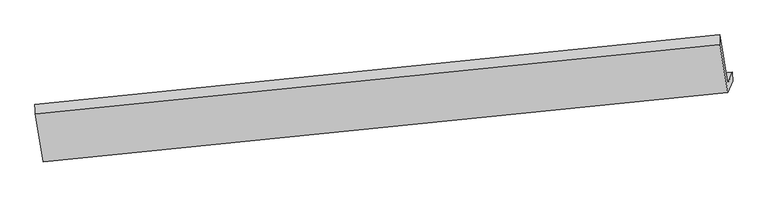
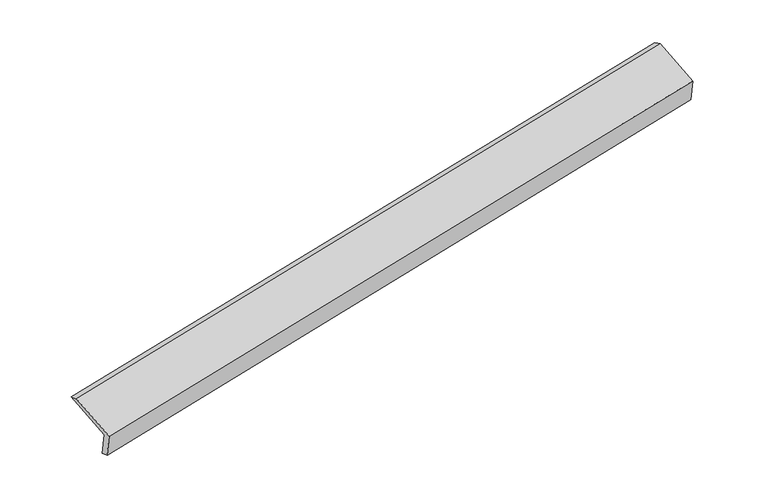
"""IFC4 building model written with IfcOpenShell, lengths in millimetres: proxy geometry."""

from ifc_helpers import new_model, si_unit, frame, origin, place, context, project, spatial, source, transform, mapped, element, save
from ifc_brep_helpers import plane_surface, spline_surface, advanced_brep


def generic_models_cc1841d6(model_context):
    return source(origin(), model_context, "Body", "AdvancedBrep", [
        advanced_brep(
        [(-7587.8691063, -2048.2859825, 603.7703474), (-7654.1473046, -2212.2331882, 1030.1075068), (1964.2402511, -1234.597597, 2885.0869486), (2027.6465094, -1077.754485, 2477.2236576), (-7582.6503929, -2164.4491282, 637.2701109), (2029.9932829, -1201.0217244, 2529.1972896), (-7651.8005311, -2335.5004276, 1082.0811387), (1963.7150846, -1364.96893, 2955.5344489), (-7766.8496196, -1660.7811891, 1323.6577529), (1848.6659961, -690.2496915, 3197.1110631), (-7770.7814438, -1528.218229, 1275.0123627), (1847.6061119, -550.5826379, 3129.9918045)],
        [
            (0, 1),
            (1, 2),
            (2, 3),
            (3, 0),
            (4, 0),
            (3, 5),
            (5, 4),
            (6, 4),
            (5, 7),
            (7, 6),
            (8, 6),
            (7, 9),
            (9, 8),
            (10, 8),
            (9, 11),
            (11, 10),
            (1, 10),
            (11, 2),
        ],
        [
            plane_surface(frame((-7621.0082054, -2130.2595853, 816.9389271), z_axis=(-0.1586639897952691, 0.929556003897699, 0.33279329013666736), x_axis=(-0.14359699679430743, -0.35520468237091707, 0.9236934210729401))),
            spline_surface(1, 1, [[(-7582.6503929, -2164.4491282, 637.2701109), (2029.9932829, -1201.0217244, 2529.1972896)], [(-7587.8691063, -2048.2859825, 603.7703474), (2027.6465094, -1077.754485, 2477.2236576)]], [2, 2], [2, 2], [0.0, 1.0], [0.0, 1.0]),
            plane_surface(frame((-7617.225462, -2249.9747779, 859.6756248), z_axis=(0.15866398979526816, -0.9295560038977017, -0.3327932901366603), x_axis=(0.1435969967943594, 0.3552046823709151, -0.9236934210729327))),
            plane_surface(frame((-7709.3250753, -1998.1408083, 1202.8694458), z_axis=(-0.14409313444544886, -0.35525472529238833, 0.9235969081602188), x_axis=(0.1585050671918406, -0.929572060215773, -0.33282417060771535))),
            spline_surface(1, 1, [[(-7770.7814438, -1528.218229, 1275.0123627), (1847.6061119, -550.5826379, 3129.9918045)], [(-7766.8496196, -1660.7811891, 1323.6577529), (1848.6659961, -690.2496915, 3197.1110631)]], [2, 2], [2, 2], [0.0, 1.0], [0.0, 1.0]),
            plane_surface(frame((-7712.4643742, -1870.2257086, 1152.5599347), z_axis=(0.14210836311314634, 0.35505400396588943, -0.9239815297943419), x_axis=(-0.15850506719187396, 0.9295720602157663, 0.33282417060771785))),
            plane_surface(frame((1946.9778727, -1019.862511, 2862.3575354), z_axis=(0.9768603002405984, 0.09861753641198488, 0.1897854981969887), x_axis=(0.1585050671918406, -0.929572060215773, -0.33282417060771535))),
            plane_surface(frame((-7669.0163997, -1991.5780241, 991.9832032), z_axis=(-0.9768603002405483, -0.09861753641234332, -0.18978549819705967), x_axis=(0.14359699679430446, 0.35520468237091907, -0.9236934210729397))),
        ],
        [
            (0, [[1, 2, 3, 4]]),
            (1, [[5, -4, 6, 7]]),
            (2, [[8, -7, 9, 10]]),
            (3, [[11, -10, 12, 13]]),
            (4, [[14, -13, 15, 16]]),
            (5, [[17, -16, 18, -2]]),
            (6, [[-12, -9, -6, -3, -18, -15]]),
            (7, [[-1, -5, -8, -11, -14, -17]]),
        ],
    ),
    ])


if __name__ == "__main__":
    model = new_model("IFC4")
    model_context = context("Model", 3, world=origin())
    ifc_project = project(units=[si_unit("LENGTHUNIT", "METRE", prefix="MILLI")], contexts=[model_context])
    site = spatial("IfcSite", under=ifc_project)
    building = spatial("IfcBuilding", under=site)
    placement = place(None, origin())
    generic_models_shape = generic_models_cc1841d6(model_context)
    element("IfcBuildingElementProxy", 1, Name="Generic Models", at=placement, inside=building, context=model_context, shape_type="MappedRepresentation", body=[
        mapped(generic_models_shape, transform((0.0, 0.0, 0.0), x_axis=(1.0, 0.0, 0.0), y_axis=(0.0, 1.0, 0.0), z_axis=(0.0, 0.0, 1.0))),
    ])
    save(model, "model.ifc")
